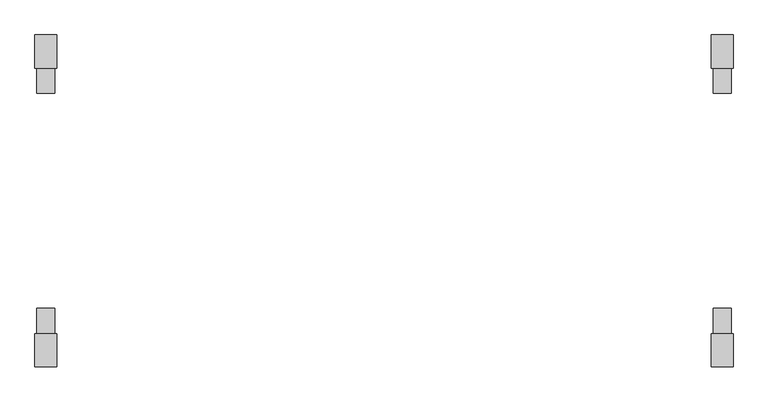
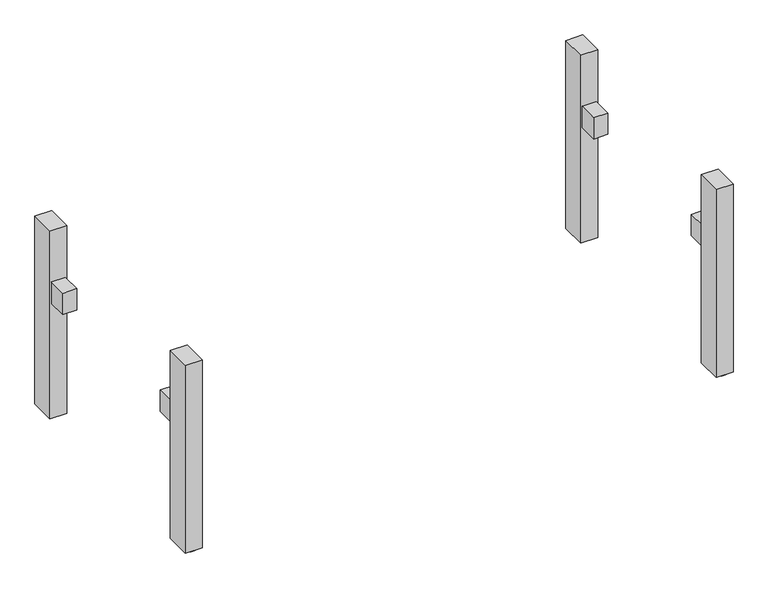
"""IFC4 building model written with IfcOpenShell, lengths in millimetres: furniture geometry."""

import ifcopenshell
import ifcopenshell.guid

model = None  # the IFC model being written
_history = None  # IfcOwnerHistory: only IFC2X3 demands one
_inside = {}  # id of a spatial element -> (the spatial element, [elements in it])
_under = {}  # id of a project, library or spatial element -> (it, [spatial elements below it])
_declared = {}  # id of a project -> (the project, [libraries it declares])
_typed = {}  # id of a type object -> (the type object, [elements of that type])
_made_of = {}  # id of a material, layer set ... -> (it, [elements and type objects made of it])


def new_model(schema):
    """Start an empty IFC model of exactly this schema.

    Asked for "IFC4X3", IfcOpenShell would pick the latest addendum, in which some entities
    have other attributes; the version numbers below select the first issue.
    IFC2X3 requires an IfcOwnerHistory on every rooted entity: one is made here for all.
    """
    global model, _history
    if schema == "IFC4X3":
        model = ifcopenshell.file(schema_version=(4, 3, 0, 0))
    else:
        model = ifcopenshell.file(schema=schema)
    _inside.clear()
    _under.clear()
    _declared.clear()
    _typed.clear()
    _made_of.clear()
    _history = None
    if model.schema == "IFC2X3":
        org = make("IfcOrganization", Name="unknown")
        user = make(
            "IfcPersonAndOrganization",
            ThePerson=make("IfcPerson", FamilyName="unknown"),
            TheOrganization=org,
        )
        app = make(
            "IfcApplication",
            ApplicationDeveloper=org,
            Version="unknown",
            ApplicationFullName="unknown",
            ApplicationIdentifier="unknown",
        )
        _history = make(
            "IfcOwnerHistory",
            OwningUser=user,
            OwningApplication=app,
            ChangeAction="ADDED",
            CreationDate=0,
        )
    return model


def make(cls, **values):
    """One entity of the class cls with the attributes given. An attribute that is None is left unset."""
    return model.create_entity(
        cls, **{name: value for name, value in values.items() if value is not None}
    )


def rooted(cls, **values):
    """An entity with a GlobalId (a new one), such as an element, a storey or a relation."""
    return make(cls, GlobalId=ifcopenshell.guid.new(), OwnerHistory=_history, **values)


def si_unit(unit_type, name, prefix=None):
    """IfcSIUnit, for example si_unit("LENGTHUNIT", "METRE", prefix="MILLI")."""
    return make("IfcSIUnit", UnitType=unit_type, Prefix=prefix, Name=name)


def assignment(units):
    """IfcUnitAssignment: the units of a project."""
    return None if units is None else make("IfcUnitAssignment", Units=units)


def point(xyz):
    """IfcCartesianPoint."""
    return None if xyz is None else make("IfcCartesianPoint", Coordinates=xyz)


def direction(xyz):
    """IfcDirection."""
    return None if xyz is None else make("IfcDirection", DirectionRatios=xyz)


def frame(location, z_axis=None, x_axis=None):
    """IfcAxis2Placement3D, a coordinate frame: its origin and axes. An axis left out is left unset."""
    return make(
        "IfcAxis2Placement3D",
        Location=point(location),
        Axis=direction(z_axis),
        RefDirection=direction(x_axis),
    )


def frame_2d(location, x_axis=None):
    """IfcAxis2Placement2D, a coordinate frame in the plane: its origin and x axis."""
    return make(
        "IfcAxis2Placement2D", Location=point(location), RefDirection=direction(x_axis)
    )


def origin():
    """The frame at (0, 0, 0) with its axes left unset."""
    return frame((0.0, 0.0, 0.0))


def origin_with_axes():
    """The frame at (0, 0, 0) with the z axis (0, 0, 1) and the x axis (1, 0, 0) written out."""
    return frame((0.0, 0.0, 0.0), z_axis=(0.0, 0.0, 1.0), x_axis=(1.0, 0.0, 0.0))


def place(relative_to, where):
    """IfcLocalPlacement: puts the frame where relative to a parent placement (None: the world)."""
    return make(
        "IfcLocalPlacement", PlacementRelTo=relative_to, RelativePlacement=where
    )


def context(
    kind, dimensions, precision=None, world=None, true_north=None, identifier=None
):
    """IfcGeometricRepresentationContext, for example the 3D "Model" context."""
    return make(
        "IfcGeometricRepresentationContext",
        ContextIdentifier=identifier,
        ContextType=kind,
        CoordinateSpaceDimension=dimensions,
        Precision=precision,
        WorldCoordinateSystem=world,
        TrueNorth=true_north,
    )


def project(units=None, contexts=None):
    """IfcProject with its units and contexts."""
    return rooted(
        "IfcProject",
        Name="project",
        RepresentationContexts=contexts,
        UnitsInContext=assignment(units),
    )


def spatial(cls, under=None, at=None, **own):
    """A site, building, storey or space (cls), placed at a placement, below another one or the project."""
    s = rooted(cls, ObjectPlacement=at, **own)
    if under is not None:
        _under.setdefault(under.id(), (under, []))[1].append(s)
    return s


def polyline(points):
    """IfcPolyline through the points."""
    return make("IfcPolyline", Points=[point(p) for p in points])


def circle_curve(where, radius):
    """IfcCircle in the frame where."""
    return make("IfcCircle", Position=where, Radius=radius)


def trimmed(basis, trim1, trim2, sense, master):
    """IfcTrimmedCurve: the piece of a basis curve between two trims."""
    return make(
        "IfcTrimmedCurve",
        BasisCurve=basis,
        Trim1=trim1,
        Trim2=trim2,
        SenseAgreement=sense,
        MasterRepresentation=master,
    )


def segment(curve, same_sense, transition):
    """IfcCompositeCurveSegment."""
    return make(
        "IfcCompositeCurveSegment",
        Transition=transition,
        SameSense=same_sense,
        ParentCurve=curve,
    )


def composite_curve(segments, self_intersect=None):
    """IfcCompositeCurve: segments joined end to end."""
    return make("IfcCompositeCurve", Segments=segments, SelfIntersect=self_intersect)


def outline(outer, holes=None, kind="AREA"):
    """IfcArbitraryClosedProfileDef: a profile drawn as a closed curve; with holes, ...WithVoids."""
    if holes is None:
        return make("IfcArbitraryClosedProfileDef", ProfileType=kind, OuterCurve=outer)
    return make(
        "IfcArbitraryProfileDefWithVoids",
        ProfileType=kind,
        OuterCurve=outer,
        InnerCurves=holes,
    )


def extrude(swept, where, along, depth):
    """IfcExtrudedAreaSolid: the profile swept, set in the frame where, extruded along a direction by depth."""
    return make(
        "IfcExtrudedAreaSolid",
        SweptArea=swept,
        Position=where,
        ExtrudedDirection=direction(along),
        Depth=depth,
    )


def shape(context_of_items, identifier, shape_type, items):
    """IfcShapeRepresentation: the items that make up one representation, for example the "Body"."""
    return make(
        "IfcShapeRepresentation",
        ContextOfItems=context_of_items,
        RepresentationIdentifier=identifier,
        RepresentationType=shape_type,
        Items=items,
    )


def source(mapping_origin, context_of_items, identifier, shape_type, items):
    """IfcRepresentationMap: a shape defined once, which mapped items show again and again."""
    return make(
        "IfcRepresentationMap",
        MappingOrigin=mapping_origin,
        MappedRepresentation=shape(context_of_items, identifier, shape_type, items),
    )


def transform(
    local_origin,
    x_axis=None,
    y_axis=None,
    z_axis=None,
    scale=None,
    scale2=None,
    scale3=None,
    uniform=True,
):
    """IfcCartesianTransformationOperator3D, or its non-uniform kind. x_axis, y_axis, z_axis: its Axis1, 2, 3."""
    if uniform:
        return make(
            "IfcCartesianTransformationOperator3D",
            Axis1=direction(x_axis),
            Axis2=direction(y_axis),
            LocalOrigin=point(local_origin),
            Scale=scale,
            Axis3=direction(z_axis),
        )
    return make(
        "IfcCartesianTransformationOperator3DnonUniform",
        Axis1=direction(x_axis),
        Axis2=direction(y_axis),
        LocalOrigin=point(local_origin),
        Scale=scale,
        Axis3=direction(z_axis),
        Scale2=scale2,
        Scale3=scale3,
    )


def mapped(mapping_source, mapping_target):
    """IfcMappedItem: shows the shape of a source again, moved by a transform."""
    return make(
        "IfcMappedItem", MappingSource=mapping_source, MappingTarget=mapping_target
    )


def made_of(thing, what):
    """Note that an element or type object is made of a material, layer set ...; save() writes the relation."""
    if what is not None:
        _made_of.setdefault(what.id(), (what, []))[1].append(thing)
    return thing


def element(
    cls,
    number,
    at=None,
    inside=None,
    cuts=None,
    type_object=None,
    material=None,
    context=None,
    identifier="Body",
    shape_type=None,
    held_by="IfcProductDefinitionShape",
    body=None,
    shapes=None,
    **own,
):
    """One element of the class cls, such as IfcWall. Its Tag is "e" and its number.

    at: its placement. inside: the storey or other place that contains it. cuts: it is an
    opening in that element (IfcRelVoidsElement). A single representation is given by context,
    identifier, shape_type and body (its items); several are given by shapes. held_by: the class
    of the entity that holds the representations. save() writes the other relations.
    """
    e = rooted(cls, Tag="e%d" % number, ObjectPlacement=at, **own)
    if body is not None:
        shapes = [shape(context, identifier, shape_type, body)]
    if shapes is not None:
        e.Representation = make(held_by, Representations=shapes)
    if inside is not None:
        _inside.setdefault(inside.id(), (inside, []))[1].append(e)
    if cuts is not None:
        rooted(
            "IfcRelVoidsElement", RelatingBuildingElement=cuts, RelatedOpeningElement=e
        )
    if type_object is not None:
        _typed.setdefault(type_object.id(), (type_object, []))[1].append(e)
    return made_of(e, material)


def aggregate(whole, parts):
    """IfcRelAggregates: a whole, such as a stair, and the parts it consists of."""
    return rooted("IfcRelAggregates", RelatingObject=whole, RelatedObjects=parts)


def save(model, path):
    """Write the relations noted so far, then the file.

    IfcRelAggregates (storeys below a building ...), IfcRelContainedInSpatialStructure (elements
    in a storey), IfcRelDefinesByType, IfcRelAssociatesMaterial and IfcRelDeclares: one each for
    every whole, place, type object, material and project.
    """
    for whole, parts in _under.values():
        aggregate(whole, parts)
    for where, things in _inside.values():
        rooted(
            "IfcRelContainedInSpatialStructure",
            RelatedElements=things,
            RelatingStructure=where,
        )
    for kind, things in _typed.values():
        rooted("IfcRelDefinesByType", RelatedObjects=things, RelatingType=kind)
    for what, things in _made_of.values():
        rooted("IfcRelAssociatesMaterial", RelatedObjects=things, RelatingMaterial=what)
    for by, libraries in _declared.values():
        rooted("IfcRelDeclares", RelatingContext=by, RelatedDefinitions=libraries)
    model.write(path)


def furniture_da0baf7f(model_context):
    return source(origin(), model_context, "Body", "SweptSolid", [
        extrude(outline(polyline([(-965.0, 369.0), (-915.0, 369.0), (-915.0, 299.0), (-965.0, 299.0), (-965.0, 369.0)])), frame((0.0, 0.0, 437.5), z_axis=(0.0, 0.0, 1.0), x_axis=(1.0, 0.0, 0.0)), (0.0, 0.0, 1.0), 80.0),
        extrude(outline(polyline([(915.0, 369.0), (965.0, 369.0), (965.0, 299.0), (915.0, 299.0), (915.0, 369.0)])), frame((0.0, 0.0, 437.5), z_axis=(0.0, 0.0, 1.0), x_axis=(1.0, 0.0, 0.0)), (0.0, 0.0, 1.0), 80.0),
        extrude(outline(polyline([(-915.0, -369.0), (-965.0, -369.0), (-965.0, -299.0), (-915.0, -299.0), (-915.0, -369.0)])), frame((0.0, 0.0, 437.5), z_axis=(0.0, 0.0, 1.0), x_axis=(1.0, 0.0, 0.0)), (0.0, 0.0, 1.0), 80.0),
        extrude(outline(polyline([(965.0, -369.0), (915.0, -369.0), (915.0, -299.0), (965.0, -299.0), (965.0, -369.0)])), frame((0.0, 0.0, 437.5), z_axis=(0.0, 0.0, 1.0), x_axis=(1.0, 0.0, 0.0)), (0.0, 0.0, 1.0), 80.0),
        extrude(outline(composite_curve([segment(trimmed(circle_curve(frame_2d((-939.9999984, 431.0)), 25.0), [point((-964.9999984, 431.0))], [point((-914.9999984, 431.0))], False, "CARTESIAN"), True, "CONTINUOUS"), segment(trimmed(circle_curve(frame_2d((-939.9999984, 431.0)), 25.0), [point((-914.9999984, 431.0))], [point((-964.9999984, 431.0))], False, "CARTESIAN"), True, "CONTINUOUS")], self_intersect=False)), origin_with_axes(), (0.0, 0.0, 1.0), 6.0),
        extrude(outline(composite_curve([segment(trimmed(circle_curve(frame_2d((939.9999984, 431.0)), 25.0), [point((914.9999984, 431.0))], [point((964.9999984, 431.0))], False, "CARTESIAN"), True, "CONTINUOUS"), segment(trimmed(circle_curve(frame_2d((939.9999984, 431.0)), 25.0), [point((964.9999984, 431.0))], [point((914.9999984, 431.0))], False, "CARTESIAN"), True, "CONTINUOUS")], self_intersect=False)), origin_with_axes(), (0.0, 0.0, 1.0), 6.0),
        extrude(outline(composite_curve([segment(trimmed(circle_curve(frame_2d((-939.9999984, -431.0)), 25.0), [point((-964.9999984, -431.0))], [point((-914.9999984, -431.0))], False, "CARTESIAN"), True, "CONTINUOUS"), segment(trimmed(circle_curve(frame_2d((-939.9999984, -431.0)), 25.0), [point((-914.9999984, -431.0))], [point((-964.9999984, -431.0))], False, "CARTESIAN"), True, "CONTINUOUS")], self_intersect=False)), origin_with_axes(), (0.0, 0.0, 1.0), 6.0),
        extrude(outline(composite_curve([segment(trimmed(circle_curve(frame_2d((939.9999984, -431.0)), 25.0), [point((914.9999984, -431.0))], [point((964.9999984, -431.0))], False, "CARTESIAN"), True, "CONTINUOUS"), segment(trimmed(circle_curve(frame_2d((939.9999984, -431.0)), 25.0), [point((964.9999984, -431.0))], [point((914.9999984, -431.0))], False, "CARTESIAN"), True, "CONTINUOUS")], self_intersect=False)), origin_with_axes(), (0.0, 0.0, 1.0), 6.0),
        extrude(outline(polyline([(-909.9999968, -461.0), (-970.0, -461.0), (-970.0, -369.0), (-909.9999968, -369.0), (-909.9999968, -461.0)])), frame((0.0, 0.0, 6.0), z_axis=(0.0, 0.0, 1.0), x_axis=(1.0, 0.0, 0.0)), (0.0, 0.0, 1.0), 704.0),
        extrude(outline(polyline([(909.9999968, -461.0), (909.9999968, -369.0), (970.0, -369.0), (970.0, -461.0), (909.9999968, -461.0)])), frame((0.0, 0.0, 6.0), z_axis=(0.0, 0.0, 1.0), x_axis=(1.0, 0.0, 0.0)), (0.0, 0.0, 1.0), 704.0),
        extrude(outline(polyline([(-909.9999968, 461.0), (-909.9999968, 369.0), (-970.0, 369.0), (-970.0, 461.0), (-909.9999968, 461.0)])), frame((0.0, 0.0, 6.0), z_axis=(0.0, 0.0, 1.0), x_axis=(1.0, 0.0, 0.0)), (0.0, 0.0, 1.0), 704.0),
        extrude(outline(polyline([(909.9999968, 461.0), (970.0, 461.0), (970.0, 369.0), (909.9999968, 369.0), (909.9999968, 461.0)])), frame((0.0, 0.0, 6.0), z_axis=(0.0, 0.0, 1.0), x_axis=(1.0, 0.0, 0.0)), (0.0, 0.0, 1.0), 704.0),
    ])


if __name__ == "__main__":
    model = new_model("IFC4")
    model_context = context("Model", 3, world=origin())
    ifc_project = project(units=[si_unit("LENGTHUNIT", "METRE", prefix="MILLI")], contexts=[model_context])
    site = spatial("IfcSite", under=ifc_project)
    building = spatial("IfcBuilding", under=site)
    placement = place(None, origin())
    furniture_shape = furniture_da0baf7f(model_context)
    element("IfcFurniture", 1, at=placement, inside=building, context=model_context, shape_type="MappedRepresentation", body=[
        mapped(furniture_shape, transform((0.0, 0.0, 0.0), x_axis=(1.0, 0.0, 0.0), y_axis=(0.0, 1.0, 0.0), z_axis=(0.0, 0.0, 1.0))),
    ])
    save(model, "model.ifc")
